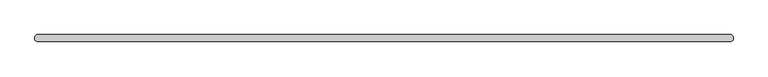
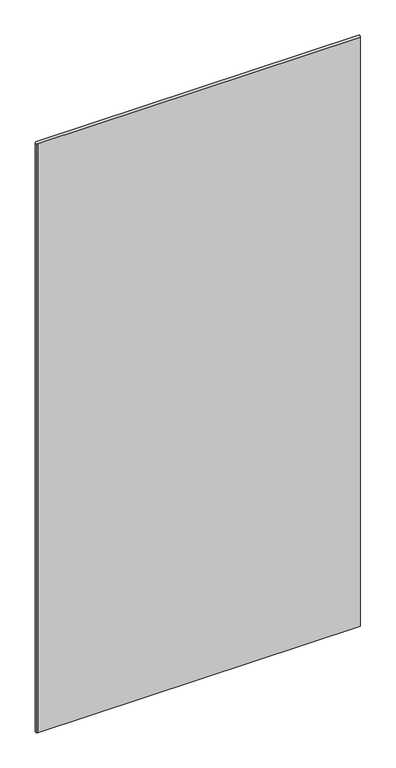
"""IFC4 building model written with IfcOpenShell, lengths in millimetres: plate geometry."""

from ifc_helpers import new_model, si_unit, origin, origin_with_axes, place, context, project, spatial, polyline, outline, extrude, source, transform, mapped, element, save


def plate_8151b5d9(model_context):
    return source(origin(), model_context, "Body", "SweptSolid", [
        extrude(outline(polyline([(629.046875, -36.5125), (-629.046875, -36.5125), (-632.221875, -33.3375), (-632.221875, -26.9875), (-629.046875, -23.8125), (629.046875, -23.8125), (632.221875, -26.9875), (632.221875, -33.3375), (629.046875, -36.5125)])), origin_with_axes(), (0.0, 0.0, 1.0), 2428.7789267),
    ])


if __name__ == "__main__":
    model = new_model("IFC4")
    model_context = context("Model", 3, world=origin())
    ifc_project = project(units=[si_unit("LENGTHUNIT", "METRE", prefix="MILLI")], contexts=[model_context])
    site = spatial("IfcSite", under=ifc_project)
    building = spatial("IfcBuilding", under=site)
    placement = place(None, origin())
    plate_shape = plate_8151b5d9(model_context)
    element("IfcPlate", 1, at=placement, inside=building, context=model_context, shape_type="MappedRepresentation", body=[
        mapped(plate_shape, transform((0.0, 0.0, 0.0), x_axis=(1.0, 0.0, 0.0), y_axis=(0.0, 1.0, 0.0), z_axis=(0.0, 0.0, 1.0))),
    ])
    save(model, "model.ifc")
